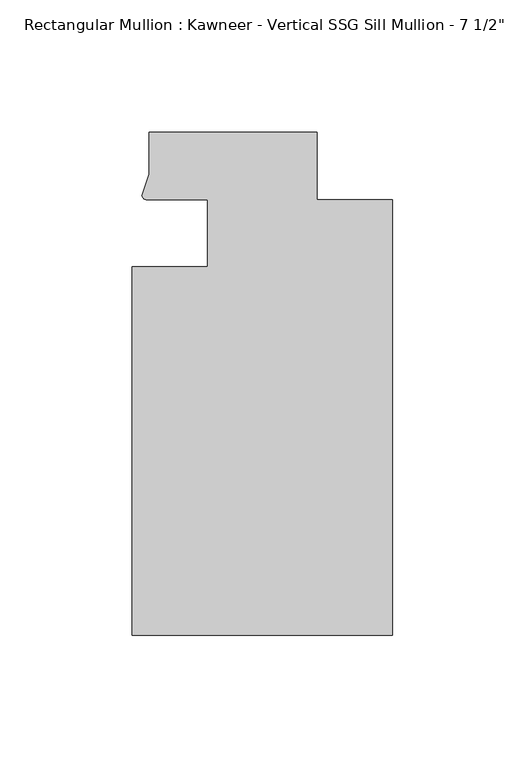
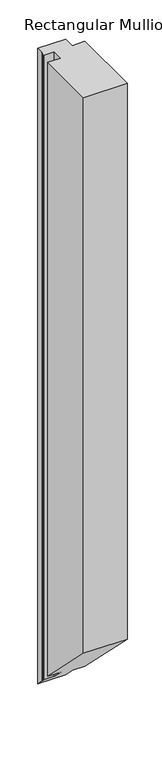
"""IFC4 building model written with IfcOpenShell, lengths in millimetres: member geometry."""

from ifc_helpers import new_model, si_unit, frame, origin, place, context, project, spatial, circle_curve, ellipse_curve, source, transform, mapped, element, save
from ifc_brep_helpers import plane_surface, cylinder_surface, advanced_brep


def member_1e86a912(model_context):
    return source(origin(), model_context, "Body", "AdvancedBrep", [
        advanced_brep(
        [(-69.85, -12.7, 0.0), (-98.425, -12.7, 0.0), (-98.425, -151.892, 0.0), (0.0, -151.892, 0.0), (0.0, 12.7, 0.0), (-28.575, 12.7, 0.0), (-28.575, 38.1, 0.0), (-92.075, 38.1, 0.0), (-92.075, 22.2250977, 0.0), (-94.7258552, 14.2884292, 0.0), (-93.1091288, 12.700061, 0.0), (-69.85, 12.700061, 0.0), (-69.85, -12.7, -1466.1615768), (-98.425, -12.7, -1466.1615768), (-98.425, -151.892, -1326.9695768), (0.0, -151.892, -1326.9695768), (0.0, 12.7, -1491.5615768), (-28.575, 12.7, -1491.5615768), (-28.575, 38.1, -1516.9615768), (-92.075, 38.1, -1516.9615768), (-92.075, 22.2250977, -1501.0866745), (-94.7258552, 14.2884292, -1493.1500061), (-93.1091288, 12.700061, -1491.5616379), (-69.85, 12.700061, -1491.5616379)],
        [
            (0, 1),
            (1, 2),
            (2, 3),
            (3, 4),
            (4, 5),
            (5, 6),
            (6, 7),
            (7, 8),
            (8, 9),
            (9, 10, circle_curve(frame((-93.0262373, 14.401412, 0.0), z_axis=(0.0, 0.0, 1.0), x_axis=(-0.04866327869705179, -0.9988152408260765, 0.0)), 1.703369)),
            (10, 11),
            (11, 0),
            (0, 12),
            (12, 13),
            (13, 1),
            (13, 14),
            (14, 2),
            (14, 15),
            (15, 3),
            (15, 16),
            (16, 4),
            (16, 17),
            (17, 5),
            (17, 18),
            (18, 6),
            (18, 19),
            (19, 7),
            (19, 20),
            (20, 8),
            (20, 21),
            (21, 9),
            (21, 22, ellipse_curve(frame((-93.0262373, 14.401412, -1493.2629888), z_axis=(0.0, 0.707106781186548, 0.707106781186547), x_axis=(0.0, -0.707106781186547, 0.707106781186548)), 2.4089276, 1.703369)),
            (22, 10),
            (22, 23),
            (23, 11),
            (23, 12),
        ],
        [
            plane_surface(frame((0.0, -180.9935366, 0.0), z_axis=(0.0, 0.0, 1.0), x_axis=(-1.0, 0.0, 0.0))),
            plane_surface(frame((-69.85, -12.7, 0.0), z_axis=(0.0, 1.0, 0.0), x_axis=(0.0, 0.0, -1.0))),
            plane_surface(frame((-98.425, -12.7, 0.0), z_axis=(-1.0, 0.0, 0.0), x_axis=(0.0, 0.0, -1.0))),
            plane_surface(frame((-98.425, -151.892, 0.0), z_axis=(0.0, -1.0, 0.0), x_axis=(0.0, 0.0, -1.0))),
            plane_surface(frame((0.0, -151.892, 0.0), z_axis=(1.0, 0.0, 0.0), x_axis=(0.0, 0.0, -1.0))),
            plane_surface(frame((0.0, 12.7, 0.0), z_axis=(0.0, 1.0, 0.0), x_axis=(0.0, 0.0, -1.0))),
            plane_surface(frame((-28.575, 12.7, 0.0), z_axis=(1.0, 0.0, 0.0), x_axis=(0.0, 0.0, -1.0))),
            plane_surface(frame((-28.575, 38.1, 0.0), z_axis=(0.0, 1.0, 0.0), x_axis=(0.0, 0.0, -1.0))),
            plane_surface(frame((-92.075, 38.1, 0.0), z_axis=(-1.0, 0.0, 0.0), x_axis=(0.0, 0.0, -1.0))),
            plane_surface(frame((-92.075, 22.2250977, 0.0), z_axis=(-0.9484931443165878, 0.3167976565324192, 0.0), x_axis=(0.0, 0.0, -1.0))),
            cylinder_surface(frame((-93.0262373, 14.401412, 0.0), z_axis=(0.0, 0.0, 1.0000000000000002), x_axis=(-0.04866327869705179, -0.9988152408260765, 0.0)), 1.703369),
            plane_surface(frame((-93.1091288, 12.700061, 0.0), z_axis=(0.0, -1.0, 0.0), x_axis=(0.0, 0.0, -1.0))),
            plane_surface(frame((-69.85, 12.700061, 0.0), z_axis=(-1.0, 0.0, 0.0), x_axis=(0.0, 0.0, -1.0))),
            plane_surface(frame((304.8, 0.0, -1478.8615768), z_axis=(0.0, -0.707106781186548, -0.707106781186547), x_axis=(0.0, -0.707106781186547, 0.707106781186548))),
        ],
        [
            (0, [[1, 2, 3, 4, 5, 6, 7, 8, 9, 10, 11, 12]]),
            (1, [[-1, 13, 14, 15]]),
            (2, [[-2, -15, 16, 17]]),
            (3, [[-3, -17, 18, 19]]),
            (4, [[-4, -19, 20, 21]]),
            (5, [[-5, -21, 22, 23]]),
            (6, [[-6, -23, 24, 25]]),
            (7, [[-7, -25, 26, 27]]),
            (8, [[-8, -27, 28, 29]]),
            (9, [[-9, -29, 30, 31]]),
            (10, [[-10, -31, 32, 33]]),
            (11, [[-11, -33, 34, 35]]),
            (12, [[-12, -35, 36, -13]]),
            (13, [[-36, -34, -32, -30, -28, -26, -24, -22, -20, -18, -16, -14]]),
        ],
    ),
    ])


if __name__ == "__main__":
    model = new_model("IFC4")
    model_context = context("Model", 3, world=origin())
    ifc_project = project(units=[si_unit("LENGTHUNIT", "METRE", prefix="MILLI")], contexts=[model_context])
    site = spatial("IfcSite", under=ifc_project)
    building = spatial("IfcBuilding", under=site)
    placement = place(None, origin())
    member_shape = member_1e86a912(model_context)
    element("IfcMember", 1, ObjectType="Rectangular Mullion : Kawneer - Vertical SSG Sill Mullion - 7 1/2\"", at=placement, inside=building, context=model_context, shape_type="MappedRepresentation", body=[
        mapped(member_shape, transform((0.0, 0.0, 0.0), x_axis=(1.0, 0.0, 0.0), y_axis=(0.0, 1.0, 0.0), z_axis=(0.0, 0.0, 1.0))),
    ])
    save(model, "model.ifc")
